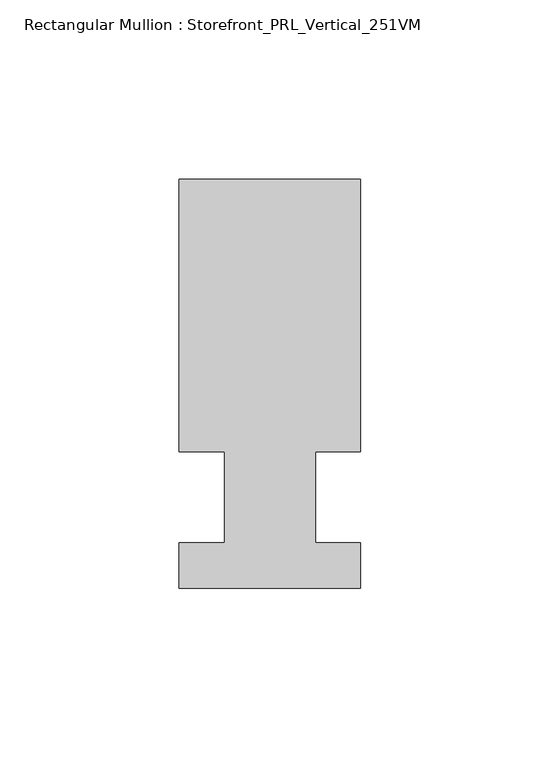
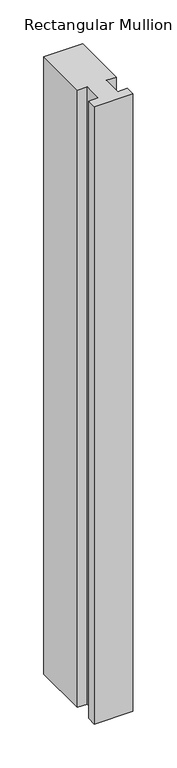
"""IFC4 building model written with IfcOpenShell, lengths in millimetres: member geometry, Rectangular Mullion : Storefront_PRL_Vertical_251VM."""

from ifc_helpers import new_model, si_unit, frame, origin, place, context, project, spatial, polyline, outline, extrude, source, transform, mapped, element, save


def rectangular_mullion_storefront_prl_vertical_251vm_3185a51e(model_context):
    return source(origin(), model_context, "Body", "SweptSolid", [
        extrude(outline(polyline([(-12.7, 12.7), (-25.4, 12.7), (-25.4, 88.9), (25.4, 88.9), (25.4, 12.7), (12.7, 12.7), (12.7, -12.7), (25.4, -12.7), (25.4, -25.4), (-25.4, -25.4), (-25.4, -12.7), (-12.7, -12.7), (-12.7, 12.7)])), frame((0.0, 0.0, -857.25), z_axis=(0.0, 0.0, 1.0), x_axis=(1.0, 0.0, 0.0)), (0.0, 0.0, 1.0), 857.25),
    ])


if __name__ == "__main__":
    model = new_model("IFC4")
    model_context = context("Model", 3, world=origin())
    ifc_project = project(units=[si_unit("LENGTHUNIT", "METRE", prefix="MILLI")], contexts=[model_context])
    site = spatial("IfcSite", under=ifc_project)
    building = spatial("IfcBuilding", under=site)
    placement = place(None, origin())
    rectangular_mullion_storefront_prl_vertical_251vm_shape = rectangular_mullion_storefront_prl_vertical_251vm_3185a51e(model_context)
    element("IfcMember", 1, ObjectType="Rectangular Mullion : Storefront_PRL_Vertical_251VM", at=placement, inside=building, context=model_context, shape_type="MappedRepresentation", body=[
        mapped(rectangular_mullion_storefront_prl_vertical_251vm_shape, transform((0.0, 0.0, 0.0), x_axis=(1.0, 0.0, 0.0), y_axis=(0.0, 1.0, 0.0), z_axis=(0.0, 0.0, 1.0))),
    ])
    save(model, "model.ifc")
